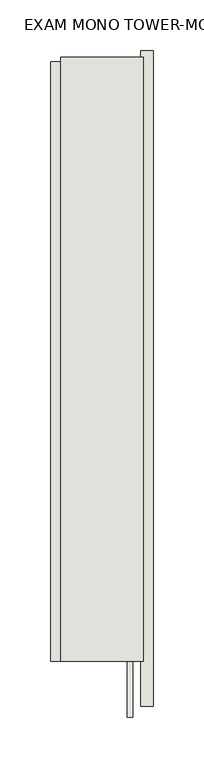
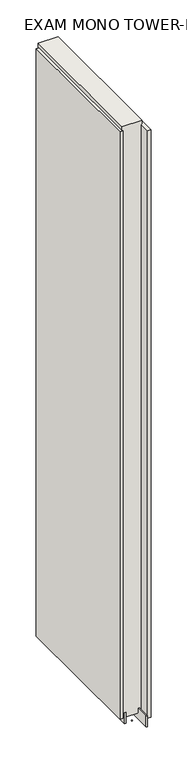
"""IFC4 building model written with IfcOpenShell, lengths in millimetres: wall geometry, EXAM MONO TOWER-MONO ACCENT 532714 : EXAM MONO TOWER-MONO ACCENT 532714."""

from ifc_helpers import new_model, si_unit, frame, origin, place, context, project, spatial, polyline, outline, extrude, source, transform, mapped, element, save


def exam_mono_tower_mono_accent_532714_exam_mono_tower_mono_0d43bcb1(model_context):
    return source(origin(), model_context, "Body", "SweptSolid", [
        extrude(outline(polyline([(44102.7108038, -56581.866008), (44102.7108038, -56579.326008), (44105.2508038, -56579.326008), (44105.2508038, -56581.866008), (44102.7108038, -56581.866008)])), frame((0.0, 0.0, 4419.6), z_axis=(0.0, 0.0, 1.0), x_axis=(1.0, 0.0, 0.0)), (0.0, 0.0, 1.0), 2.54),
        extrude(outline(polyline([(44154.7808038, -55978.5346772), (44154.7808038, -56626.7346508), (44142.0808038, -56626.7346508), (44142.0808038, -55978.5346772), (44154.7808038, -55978.5346772)])), frame((0.0, 0.0, 4445.0), z_axis=(0.0, 0.0, 1.0), x_axis=(1.0, 0.0, 0.0)), (0.0, 0.0, 1.0), 2545.0498756),
        extrude(outline(polyline([(44053.1808038, -56582.3290754), (44053.1808038, -55989.4291182), (44065.8808038, -55989.4291182), (44065.8808038, -56582.3290754), (44053.1808038, -56582.3290754)])), frame((0.0, 0.0, 4445.0), z_axis=(0.0, 0.0, 1.0), x_axis=(1.0, 0.0, 0.0)), (0.0, 0.0, 1.0), 2545.0498756),
        extrude(outline(polyline([(44129.070746, -56637.1754986), (44129.070746, -55984.9796478), (44134.1495014, -55984.9796478), (44134.1495014, -56637.1754986), (44129.070746, -56637.1754986)])), frame((0.0, 0.0, 4418.6602), z_axis=(0.0, 0.0, 1.0), x_axis=(1.0, 0.0, 0.0)), (0.0, 0.0, 1.0), 47.625),
        extrude(outline(polyline([(44129.070746, -56637.1754986), (44129.070746, -55984.9796478), (44134.1495014, -55984.9796478), (44134.1495014, -56637.1754986), (44129.070746, -56637.1754986)])), frame((0.0, 0.0, 4418.6602), z_axis=(0.0, 0.0, 1.0), x_axis=(1.0, 0.0, 0.0)), (0.0, 0.0, 1.0), 47.625),
        extrude(outline(polyline([(44078.906381, -55984.9796478), (44078.906381, -56581.8796478), (44073.8245014, -56581.8796478), (44073.8245014, -55984.9796478), (44078.906381, -55984.9796478)])), frame((0.0, 0.0, 4418.6602), z_axis=(0.0, 0.0, 1.0), x_axis=(1.0, 0.0, 0.0)), (0.0, 0.0, 1.0), 47.625),
        extrude(outline(polyline([(44078.906381, -55984.9796478), (44078.906381, -56581.8796478), (44073.8245014, -56581.8796478), (44073.8245014, -55984.9796478), (44078.906381, -55984.9796478)])), frame((0.0, 0.0, 4418.6602), z_axis=(0.0, 0.0, 1.0), x_axis=(1.0, 0.0, 0.0)), (0.0, 0.0, 1.0), 47.625),
        extrude(outline(polyline([(44144.6170954, -56581.8796478), (44063.3352412, -56581.8796478), (44063.3352412, -55984.9796478), (44144.6170954, -55984.9796478), (44144.6170954, -56581.8796478)])), frame((0.0, 0.0, 4445.0), z_axis=(0.0, 0.0, 1.0), x_axis=(1.0, 0.0, 0.0)), (0.0, 0.0, 1.0), 2562.4536762),
    ])


if __name__ == "__main__":
    model = new_model("IFC4")
    model_context = context("Model", 3, world=origin())
    ifc_project = project(units=[si_unit("LENGTHUNIT", "METRE", prefix="MILLI")], contexts=[model_context])
    site = spatial("IfcSite", under=ifc_project)
    building = spatial("IfcBuilding", under=site)
    placement = place(None, origin())
    exam_mono_tower_mono_accent_532714_exam_mono_tower_mono_shape = exam_mono_tower_mono_accent_532714_exam_mono_tower_mono_0d43bcb1(model_context)
    element("IfcWall", 1, ObjectType="EXAM MONO TOWER-MONO ACCENT 532714 : EXAM MONO TOWER-MONO ACCENT 532714", at=placement, inside=building, context=model_context, shape_type="MappedRepresentation", body=[
        mapped(exam_mono_tower_mono_accent_532714_exam_mono_tower_mono_shape, transform((0.0, 0.0, 0.0), x_axis=(1.0, 0.0, 0.0), y_axis=(0.0, 1.0, 0.0), z_axis=(0.0, 0.0, 1.0))),
    ])
    save(model, "model.ifc")
